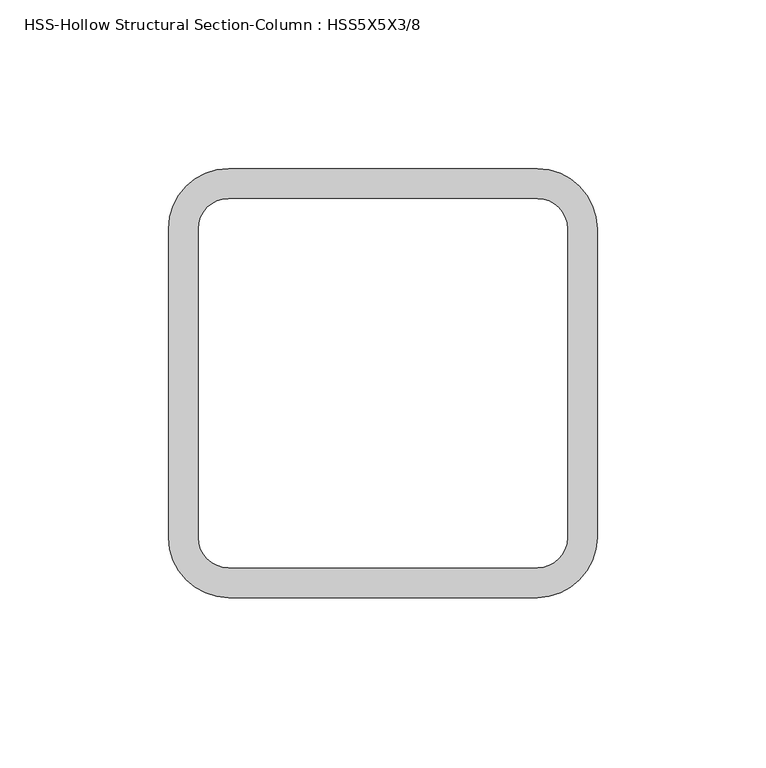
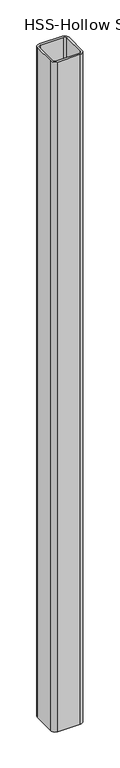
"""IFC4 building model written with IfcOpenShell, lengths in millimetres: column geometry, HSS-Hollow Structural Section-Column : HSS5X5X3/8."""

from ifc_helpers import new_model, si_unit, point, frame, frame_2d, origin, place, context, project, spatial, polyline, circle_curve, trimmed, segment, composite_curve, outline, extrude, source, transform, mapped, element, save


def hss_hollow_structural_section_column_hss5x5x3_8_76379e9d(model_context):
    return source(origin(), model_context, "Body", "SweptSolid", [
        extrude(outline(composite_curve([segment(trimmed(circle_curve(frame_2d((45.7708, 45.7708)), 17.7292), [point((45.7708, 63.5))], [point((63.5, 45.7708))], False, "CARTESIAN"), True, "CONTINUOUS"), segment(polyline([(63.5, 45.7708), (63.5, -45.7708)]), True, "CONTINUOUS"), segment(trimmed(circle_curve(frame_2d((45.7708, -45.7708)), 17.7292), [point((63.5, -45.7708))], [point((45.7708, -63.5))], False, "CARTESIAN"), True, "CONTINUOUS"), segment(polyline([(45.7708, -63.5), (-45.7708, -63.5)]), True, "CONTINUOUS"), segment(trimmed(circle_curve(frame_2d((-45.7708, -45.7708)), 17.7292), [point((-45.7708, -63.5))], [point((-63.5, -45.7708))], False, "CARTESIAN"), True, "CONTINUOUS"), segment(polyline([(-63.5, -45.7708), (-63.5, 45.7708)]), True, "CONTINUOUS"), segment(trimmed(circle_curve(frame_2d((-45.7708, 45.7708)), 17.7292), [point((-63.5, 45.7708))], [point((-45.7708, 63.5))], False, "CARTESIAN"), True, "CONTINUOUS"), segment(polyline([(-45.7708, 63.5), (45.7708, 63.5)]), True, "CONTINUOUS")], self_intersect=False), holes=[composite_curve([segment(polyline([(45.7708, 54.6354), (-45.7708, 54.6354)]), True, "CONTINUOUS"), segment(trimmed(circle_curve(frame_2d((-45.7708, 45.7708)), 8.8646), [point((-45.7708, 54.6354))], [point((-54.6354, 45.7708))], True, "CARTESIAN"), True, "CONTINUOUS"), segment(polyline([(-54.6354, 45.7708), (-54.6354, -45.7708)]), True, "CONTINUOUS"), segment(trimmed(circle_curve(frame_2d((-45.7708, -45.7708)), 8.8646), [point((-54.6354, -45.7708))], [point((-45.7708, -54.6354))], True, "CARTESIAN"), True, "CONTINUOUS"), segment(polyline([(-45.7708, -54.6354), (45.7708, -54.6354)]), True, "CONTINUOUS"), segment(trimmed(circle_curve(frame_2d((45.7708, -45.7708)), 8.8646), [point((45.7708, -54.6354))], [point((54.6354, -45.7708))], True, "CARTESIAN"), True, "CONTINUOUS"), segment(polyline([(54.6354, -45.7708), (54.6354, 45.7708)]), True, "CONTINUOUS"), segment(trimmed(circle_curve(frame_2d((45.7708, 45.7708)), 8.8646), [point((54.6354, 45.7708))], [point((45.7708, 54.6354))], True, "CARTESIAN"), True, "CONTINUOUS")], self_intersect=False)]), frame((0.0, 0.0, -203.2), z_axis=(0.0, 0.0, 1.0), x_axis=(1.0, 0.0, 0.0)), (0.0, 0.0, 1.0), 2844.8),
    ])


if __name__ == "__main__":
    model = new_model("IFC4")
    model_context = context("Model", 3, world=origin())
    ifc_project = project(units=[si_unit("LENGTHUNIT", "METRE", prefix="MILLI")], contexts=[model_context])
    site = spatial("IfcSite", under=ifc_project)
    building = spatial("IfcBuilding", under=site)
    placement = place(None, origin())
    hss_hollow_structural_section_column_hss5x5x3_8_shape = hss_hollow_structural_section_column_hss5x5x3_8_76379e9d(model_context)
    element("IfcColumn", 1, ObjectType="HSS-Hollow Structural Section-Column : HSS5X5X3/8", at=placement, inside=building, context=model_context, shape_type="MappedRepresentation", body=[
        mapped(hss_hollow_structural_section_column_hss5x5x3_8_shape, transform((0.0, 0.0, 0.0), x_axis=(1.0, 0.0, 0.0), y_axis=(0.0, 1.0, 0.0), z_axis=(0.0, 0.0, 1.0))),
    ])
    save(model, "model.ifc")
